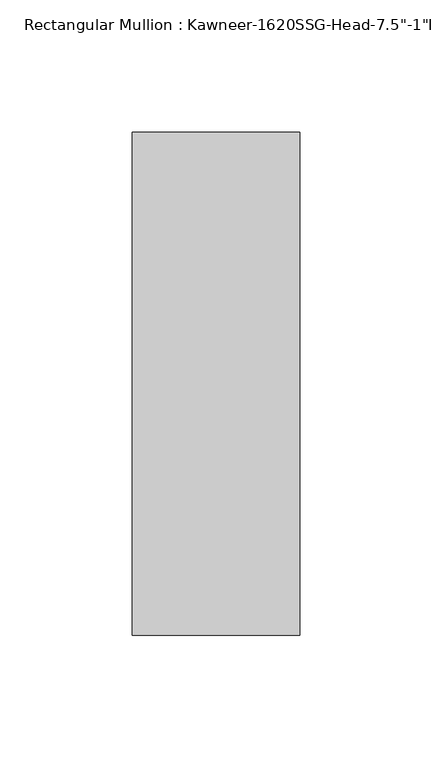
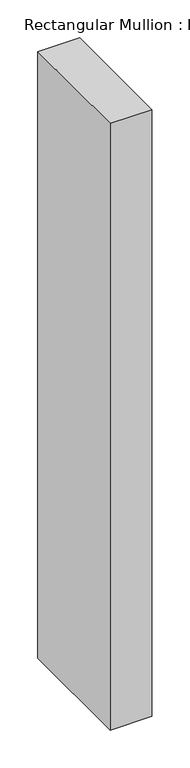
"""IFC4 building model written with IfcOpenShell, lengths in millimetres: member geometry."""

from ifc_helpers import new_model, si_unit, frame, origin, place, context, project, spatial, polyline, outline, extrude, source, transform, mapped, element, save


def member_71897b96(model_context):
    return source(origin(), model_context, "Body", "SweptSolid", [
        extrude(outline(polyline([(-22.225, 38.1), (41.275, 38.1), (41.275, -152.4), (-22.225, -152.4), (-22.225, 38.1)])), frame((0.0, 0.0, -977.0317631), z_axis=(0.0, 0.0, 1.0), x_axis=(1.0, 0.0, 0.0)), (0.0, 0.0, 1.0), 977.0317631),
    ])


if __name__ == "__main__":
    model = new_model("IFC4")
    model_context = context("Model", 3, world=origin())
    ifc_project = project(units=[si_unit("LENGTHUNIT", "METRE", prefix="MILLI")], contexts=[model_context])
    site = spatial("IfcSite", under=ifc_project)
    building = spatial("IfcBuilding", under=site)
    placement = place(None, origin())
    member_shape = member_71897b96(model_context)
    element("IfcMember", 1, ObjectType="Rectangular Mullion : Kawneer-1620SSG-Head-7.5\"-1\"Infill-1A", at=placement, inside=building, context=model_context, shape_type="MappedRepresentation", body=[
        mapped(member_shape, transform((0.0, 0.0, 0.0), x_axis=(1.0, 0.0, 0.0), y_axis=(0.0, 1.0, 0.0), z_axis=(0.0, 0.0, 1.0))),
    ])
    save(model, "model.ifc")
